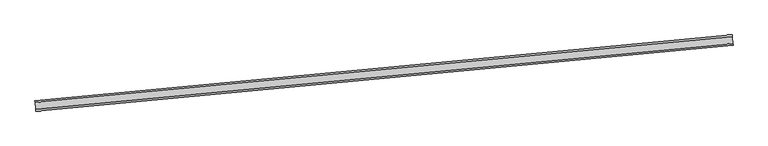
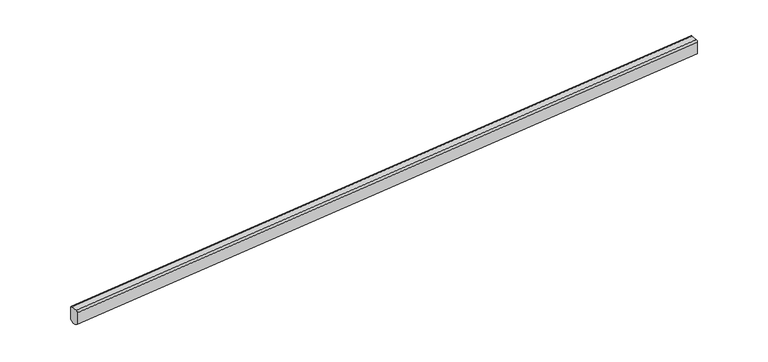
"""IFC4 building model written with IfcOpenShell, lengths in millimetres: railing geometry."""

from ifc_helpers import new_model, si_unit, frame, origin, place, context, project, spatial, ellipse_curve, source, transform, mapped, element, save
from ifc_brep_helpers import plane_surface, cylinder_surface, advanced_brep


def railing_679d6c02(model_context):
    return source(origin(), model_context, "Body", "AdvancedBrep", [
        advanced_brep(
        [(81991.5338275, 3964.9830534, 14804.7054424), (81963.3392971, 4263.655229, 14804.7054424), (81956.2906645, 4338.3232729, 14729.6727119), (81956.2906645, 4338.3232729, 14154.4217783), (81973.2073827, 4159.1199676, 14054.3781376), (81981.6657419, 4069.5183149, 14054.3781376), (81998.5824601, 3890.3150095, 14154.4217783), (81998.5824601, 3890.3150095, 14729.6727119), (112158.4921613, 6812.7315006, 15699.9999999), (112165.540794, 6738.0634567, 15624.9672695), (112165.540794, 6738.0634567, 15049.7163358), (112148.6240757, 6917.2667621, 14949.6726951), (112140.1657166, 7006.8684147, 14949.6726951), (112123.2489983, 7186.0717201, 15049.7163358), (112123.2489983, 7186.0717201, 15624.9672695), (112130.2976309, 7111.4036762, 15699.9999999)],
        [
            (0, 1),
            (1, 2, ellipse_curve(frame((81963.3392971, 4263.655229, 14729.6727119), z_axis=(-0.9955739185395556, -0.09398176803930894, 0.0), x_axis=(0.0, 0.0, -1.0)), 75.0327305, 75.0)),
            (2, 3),
            (3, 4),
            (4, 5),
            (5, 6),
            (6, 7),
            (7, 0, ellipse_curve(frame((81991.5338275, 3964.9830534, 14729.6727119), z_axis=(-0.9955739185395556, -0.09398176803930894, 0.0), x_axis=(0.0, 0.0, -1.0)), 75.0327305, 75.0)),
            (8, 9, ellipse_curve(frame((112158.4921613, 6812.7315006, 15624.9672695), z_axis=(0.9955739185395556, 0.09398176803930894, 0.0), x_axis=(0.0, 0.0, -1.0)), 75.0327305, 75.0)),
            (9, 10),
            (10, 11),
            (11, 12),
            (12, 13),
            (13, 14),
            (14, 15, ellipse_curve(frame((112130.2976309, 7111.4036762, 15624.9672695), z_axis=(0.9955739185395556, 0.09398176803930894, 0.0), x_axis=(0.0, 0.0, -1.0)), 75.0327305, 75.0)),
            (15, 8),
            (0, 8),
            (15, 1),
            (14, 2),
            (13, 3),
            (12, 4),
            (11, 5),
            (10, 6),
            (9, 7),
        ],
        [
            plane_surface(frame((81978.1646644, 4106.6061619, 14804.7054424), z_axis=(-0.9955739185395556, -0.09398176803930894, 0.0), x_axis=(0.09398176803930894, -0.9955739185395556, 0.0))),
            plane_surface(frame((112145.1229982, 6954.354609, 15699.9999999), z_axis=(0.9955739185395556, 0.09398176803930894, 0.0), x_axis=(0.09398176803930894, -0.9955739185395556, 0.0))),
            plane_surface(frame((81991.5338275, 3964.9830534, 14804.7054424), z_axis=(-0.029403021049438878, -0.002775633082048735, 0.9995637839648654), x_axis=(0.9951396332321268, 0.09394077168507987, 0.02953373978757023))),
            cylinder_surface(frame((81965.5445237, 4263.8634015, 14729.7381586), z_axis=(-0.9951396332321268, -0.09394077168507992, -0.029533739787570238), x_axis=(0.09398176803930895, -0.9955739185395556, 0.0)), 75.0),
            plane_surface(frame((81956.2906645, 4338.3232729, 14729.6727119), z_axis=(-0.09398176803930895, 0.9955739185395556, 0.0), x_axis=(0.9951396332321268, 0.0939407716850799, 0.02953373978757023))),
            plane_surface(frame((81956.2906645, 4338.3232729, 14154.4217783), z_axis=(-0.01993871651763598, 0.48591977585904056, -0.8737759547004766), x_axis=(0.9951396332321268, 0.09394077168507987, 0.029533739787570304))),
            plane_surface(frame((81973.2073827, 4159.1199676, 14054.3781376), z_axis=(0.029403021049438878, 0.002775633082048735, -0.9995637839648654), x_axis=(0.9951396332321268, 0.09394077168507987, 0.02953373978757023))),
            plane_surface(frame((81981.6657419, 4069.5183149, 14054.3781376), z_axis=(0.07134444609827993, -0.4810670961500032, -0.8737759547004789), x_axis=(0.9951396332321268, 0.09394077168507992, 0.02953373978757023))),
            plane_surface(frame((81998.5824601, 3890.3150095, 14154.4217783), z_axis=(0.09398176803930898, -0.9955739185395556, 0.0), x_axis=(0.9951396332321268, 0.09394077168507993, 0.029533739787570304))),
            cylinder_surface(frame((81993.7390541, 3965.1912259, 14729.7381586), z_axis=(-0.9951396332321268, -0.09394077168507992, -0.029533739787570238), x_axis=(0.09398176803930895, -0.9955739185395556, 0.0)), 75.0),
        ],
        [
            (0, [[1, 2, 3, 4, 5, 6, 7, 8]]),
            (1, [[9, 10, 11, 12, 13, 14, 15, 16]]),
            (2, [[-1, 17, -16, 18]]),
            (3, [[-2, -18, -15, 19]]),
            (4, [[-3, -19, -14, 20]]),
            (5, [[-4, -20, -13, 21]]),
            (6, [[-5, -21, -12, 22]]),
            (7, [[-6, -22, -11, 23]]),
            (8, [[-7, -23, -10, 24]]),
            (9, [[-8, -24, -9, -17]]),
        ],
    ),
    ])


if __name__ == "__main__":
    model = new_model("IFC4")
    model_context = context("Model", 3, world=origin())
    ifc_project = project(units=[si_unit("LENGTHUNIT", "METRE", prefix="MILLI")], contexts=[model_context])
    site = spatial("IfcSite", under=ifc_project)
    building = spatial("IfcBuilding", under=site)
    placement = place(None, origin())
    railing_shape = railing_679d6c02(model_context)
    element("IfcRailing", 1, at=placement, inside=building, context=model_context, shape_type="MappedRepresentation", body=[
        mapped(railing_shape, transform((0.0, 0.0, 0.0), x_axis=(1.0, 0.0, 0.0), y_axis=(0.0, 1.0, 0.0), z_axis=(0.0, 0.0, 1.0))),
    ])
    save(model, "model.ifc")
